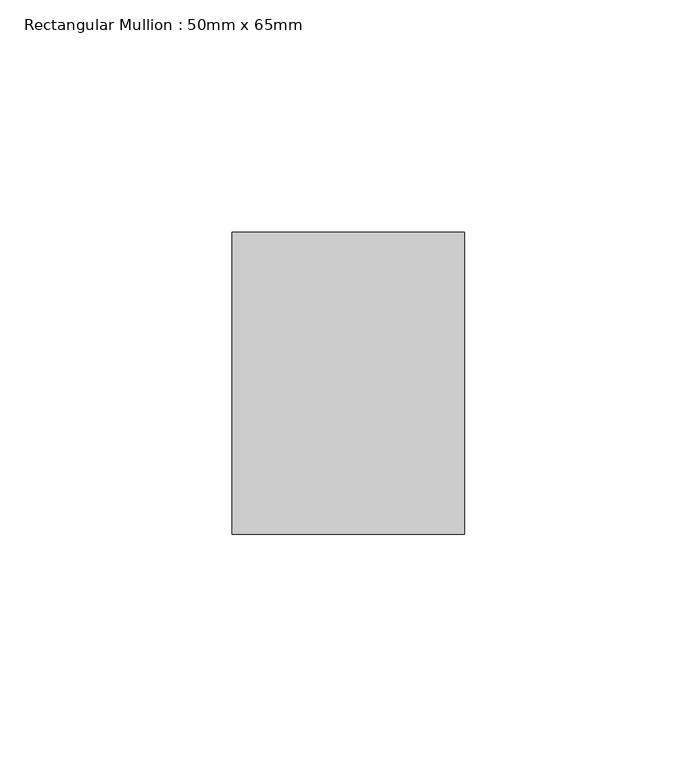
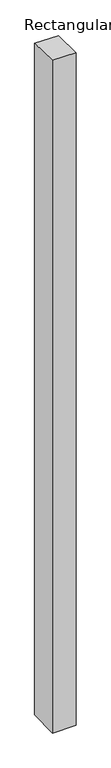
"""IFC4 building model written with IfcOpenShell, lengths in millimetres: member geometry, Rectangular Mullion : 50mm x 65mm."""

from ifc_helpers import new_model, si_unit, origin, place, context, project, spatial, faceted_brep, source, transform, mapped, element, save


def rectangular_mullion_50mm_x_65mm_f8222b58(model_context):
    return source(origin(), model_context, "Body", "Brep", [
        faceted_brep([(-25.0, 32.5, -0.7127111), (25.0, 32.5, -0.7127055), (25.0, 32.5, -1499.1017212), (-25.0, 32.5, -1499.1017141), (-25.0, -32.5, 0.7127055), (-25.0, -32.5, -1500.8976419), (25.0, -32.5, 0.7127111), (25.0, -32.5, -1500.8976491)], [[[0, 1, 2, 3]], [[4, 0, 3, 5]], [[6, 4, 5, 7]], [[1, 6, 7, 2]], [[1, 0, 4, 6]], [[2, 7, 5, 3]]]),
    ])


if __name__ == "__main__":
    model = new_model("IFC4")
    model_context = context("Model", 3, world=origin())
    ifc_project = project(units=[si_unit("LENGTHUNIT", "METRE", prefix="MILLI")], contexts=[model_context])
    site = spatial("IfcSite", under=ifc_project)
    building = spatial("IfcBuilding", under=site)
    placement = place(None, origin())
    rectangular_mullion_50mm_x_65mm_shape = rectangular_mullion_50mm_x_65mm_f8222b58(model_context)
    element("IfcMember", 1, ObjectType="Rectangular Mullion : 50mm x 65mm", at=placement, inside=building, context=model_context, shape_type="MappedRepresentation", body=[
        mapped(rectangular_mullion_50mm_x_65mm_shape, transform((0.0, 0.0, 0.0), x_axis=(1.0, 0.0, 0.0), y_axis=(0.0, 1.0, 0.0), z_axis=(0.0, 0.0, 1.0))),
    ])
    save(model, "model.ifc")
